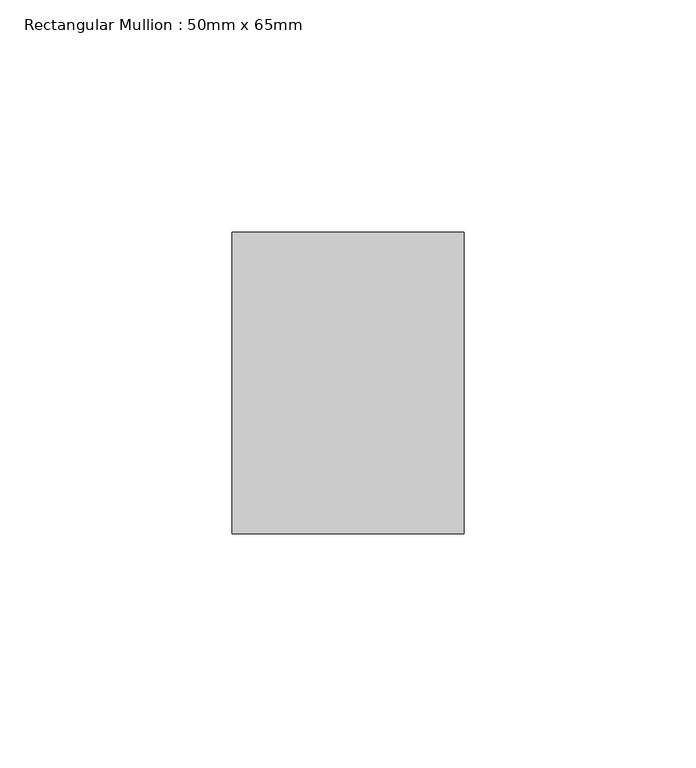
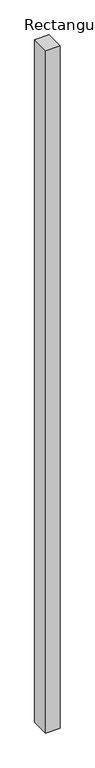
"""IFC4 building model written with IfcOpenShell, lengths in millimetres: member geometry, Rectangular Mullion : 50mm x 65mm."""

import ifcopenshell
import ifcopenshell.guid

model = None  # the IFC model being written
_history = None  # IfcOwnerHistory: only IFC2X3 demands one
_inside = {}  # id of a spatial element -> (the spatial element, [elements in it])
_under = {}  # id of a project, library or spatial element -> (it, [spatial elements below it])
_declared = {}  # id of a project -> (the project, [libraries it declares])
_typed = {}  # id of a type object -> (the type object, [elements of that type])
_made_of = {}  # id of a material, layer set ... -> (it, [elements and type objects made of it])


def new_model(schema):
    """Start an empty IFC model of exactly this schema.

    Asked for "IFC4X3", IfcOpenShell would pick the latest addendum, in which some entities
    have other attributes; the version numbers below select the first issue.
    IFC2X3 requires an IfcOwnerHistory on every rooted entity: one is made here for all.
    """
    global model, _history
    if schema == "IFC4X3":
        model = ifcopenshell.file(schema_version=(4, 3, 0, 0))
    else:
        model = ifcopenshell.file(schema=schema)
    _inside.clear()
    _under.clear()
    _declared.clear()
    _typed.clear()
    _made_of.clear()
    _history = None
    if model.schema == "IFC2X3":
        org = make("IfcOrganization", Name="unknown")
        user = make(
            "IfcPersonAndOrganization",
            ThePerson=make("IfcPerson", FamilyName="unknown"),
            TheOrganization=org,
        )
        app = make(
            "IfcApplication",
            ApplicationDeveloper=org,
            Version="unknown",
            ApplicationFullName="unknown",
            ApplicationIdentifier="unknown",
        )
        _history = make(
            "IfcOwnerHistory",
            OwningUser=user,
            OwningApplication=app,
            ChangeAction="ADDED",
            CreationDate=0,
        )
    return model


def make(cls, **values):
    """One entity of the class cls with the attributes given. An attribute that is None is left unset."""
    return model.create_entity(
        cls, **{name: value for name, value in values.items() if value is not None}
    )


def rooted(cls, **values):
    """An entity with a GlobalId (a new one), such as an element, a storey or a relation."""
    return make(cls, GlobalId=ifcopenshell.guid.new(), OwnerHistory=_history, **values)


def si_unit(unit_type, name, prefix=None):
    """IfcSIUnit, for example si_unit("LENGTHUNIT", "METRE", prefix="MILLI")."""
    return make("IfcSIUnit", UnitType=unit_type, Prefix=prefix, Name=name)


def assignment(units):
    """IfcUnitAssignment: the units of a project."""
    return None if units is None else make("IfcUnitAssignment", Units=units)


def point(xyz):
    """IfcCartesianPoint."""
    return None if xyz is None else make("IfcCartesianPoint", Coordinates=xyz)


def direction(xyz):
    """IfcDirection."""
    return None if xyz is None else make("IfcDirection", DirectionRatios=xyz)


def frame(location, z_axis=None, x_axis=None):
    """IfcAxis2Placement3D, a coordinate frame: its origin and axes. An axis left out is left unset."""
    return make(
        "IfcAxis2Placement3D",
        Location=point(location),
        Axis=direction(z_axis),
        RefDirection=direction(x_axis),
    )


def origin():
    """The frame at (0, 0, 0) with its axes left unset."""
    return frame((0.0, 0.0, 0.0))


def place(relative_to, where):
    """IfcLocalPlacement: puts the frame where relative to a parent placement (None: the world)."""
    return make(
        "IfcLocalPlacement", PlacementRelTo=relative_to, RelativePlacement=where
    )


def context(
    kind, dimensions, precision=None, world=None, true_north=None, identifier=None
):
    """IfcGeometricRepresentationContext, for example the 3D "Model" context."""
    return make(
        "IfcGeometricRepresentationContext",
        ContextIdentifier=identifier,
        ContextType=kind,
        CoordinateSpaceDimension=dimensions,
        Precision=precision,
        WorldCoordinateSystem=world,
        TrueNorth=true_north,
    )


def project(units=None, contexts=None):
    """IfcProject with its units and contexts."""
    return rooted(
        "IfcProject",
        Name="project",
        RepresentationContexts=contexts,
        UnitsInContext=assignment(units),
    )


def spatial(cls, under=None, at=None, **own):
    """A site, building, storey or space (cls), placed at a placement, below another one or the project."""
    s = rooted(cls, ObjectPlacement=at, **own)
    if under is not None:
        _under.setdefault(under.id(), (under, []))[1].append(s)
    return s


def polyline(points):
    """IfcPolyline through the points."""
    return make("IfcPolyline", Points=[point(p) for p in points])


def outline(outer, holes=None, kind="AREA"):
    """IfcArbitraryClosedProfileDef: a profile drawn as a closed curve; with holes, ...WithVoids."""
    if holes is None:
        return make("IfcArbitraryClosedProfileDef", ProfileType=kind, OuterCurve=outer)
    return make(
        "IfcArbitraryProfileDefWithVoids",
        ProfileType=kind,
        OuterCurve=outer,
        InnerCurves=holes,
    )


def extrude(swept, where, along, depth):
    """IfcExtrudedAreaSolid: the profile swept, set in the frame where, extruded along a direction by depth."""
    return make(
        "IfcExtrudedAreaSolid",
        SweptArea=swept,
        Position=where,
        ExtrudedDirection=direction(along),
        Depth=depth,
    )


def shape(context_of_items, identifier, shape_type, items):
    """IfcShapeRepresentation: the items that make up one representation, for example the "Body"."""
    return make(
        "IfcShapeRepresentation",
        ContextOfItems=context_of_items,
        RepresentationIdentifier=identifier,
        RepresentationType=shape_type,
        Items=items,
    )


def source(mapping_origin, context_of_items, identifier, shape_type, items):
    """IfcRepresentationMap: a shape defined once, which mapped items show again and again."""
    return make(
        "IfcRepresentationMap",
        MappingOrigin=mapping_origin,
        MappedRepresentation=shape(context_of_items, identifier, shape_type, items),
    )


def transform(
    local_origin,
    x_axis=None,
    y_axis=None,
    z_axis=None,
    scale=None,
    scale2=None,
    scale3=None,
    uniform=True,
):
    """IfcCartesianTransformationOperator3D, or its non-uniform kind. x_axis, y_axis, z_axis: its Axis1, 2, 3."""
    if uniform:
        return make(
            "IfcCartesianTransformationOperator3D",
            Axis1=direction(x_axis),
            Axis2=direction(y_axis),
            LocalOrigin=point(local_origin),
            Scale=scale,
            Axis3=direction(z_axis),
        )
    return make(
        "IfcCartesianTransformationOperator3DnonUniform",
        Axis1=direction(x_axis),
        Axis2=direction(y_axis),
        LocalOrigin=point(local_origin),
        Scale=scale,
        Axis3=direction(z_axis),
        Scale2=scale2,
        Scale3=scale3,
    )


def mapped(mapping_source, mapping_target):
    """IfcMappedItem: shows the shape of a source again, moved by a transform."""
    return make(
        "IfcMappedItem", MappingSource=mapping_source, MappingTarget=mapping_target
    )


def made_of(thing, what):
    """Note that an element or type object is made of a material, layer set ...; save() writes the relation."""
    if what is not None:
        _made_of.setdefault(what.id(), (what, []))[1].append(thing)
    return thing


def element(
    cls,
    number,
    at=None,
    inside=None,
    cuts=None,
    type_object=None,
    material=None,
    context=None,
    identifier="Body",
    shape_type=None,
    held_by="IfcProductDefinitionShape",
    body=None,
    shapes=None,
    **own,
):
    """One element of the class cls, such as IfcWall. Its Tag is "e" and its number.

    at: its placement. inside: the storey or other place that contains it. cuts: it is an
    opening in that element (IfcRelVoidsElement). A single representation is given by context,
    identifier, shape_type and body (its items); several are given by shapes. held_by: the class
    of the entity that holds the representations. save() writes the other relations.
    """
    e = rooted(cls, Tag="e%d" % number, ObjectPlacement=at, **own)
    if body is not None:
        shapes = [shape(context, identifier, shape_type, body)]
    if shapes is not None:
        e.Representation = make(held_by, Representations=shapes)
    if inside is not None:
        _inside.setdefault(inside.id(), (inside, []))[1].append(e)
    if cuts is not None:
        rooted(
            "IfcRelVoidsElement", RelatingBuildingElement=cuts, RelatedOpeningElement=e
        )
    if type_object is not None:
        _typed.setdefault(type_object.id(), (type_object, []))[1].append(e)
    return made_of(e, material)


def aggregate(whole, parts):
    """IfcRelAggregates: a whole, such as a stair, and the parts it consists of."""
    return rooted("IfcRelAggregates", RelatingObject=whole, RelatedObjects=parts)


def save(model, path):
    """Write the relations noted so far, then the file.

    IfcRelAggregates (storeys below a building ...), IfcRelContainedInSpatialStructure (elements
    in a storey), IfcRelDefinesByType, IfcRelAssociatesMaterial and IfcRelDeclares: one each for
    every whole, place, type object, material and project.
    """
    for whole, parts in _under.values():
        aggregate(whole, parts)
    for where, things in _inside.values():
        rooted(
            "IfcRelContainedInSpatialStructure",
            RelatedElements=things,
            RelatingStructure=where,
        )
    for kind, things in _typed.values():
        rooted("IfcRelDefinesByType", RelatedObjects=things, RelatingType=kind)
    for what, things in _made_of.values():
        rooted("IfcRelAssociatesMaterial", RelatedObjects=things, RelatingMaterial=what)
    for by, libraries in _declared.values():
        rooted("IfcRelDeclares", RelatingContext=by, RelatedDefinitions=libraries)
    model.write(path)


def rectangular_mullion_50mm_x_65mm_14c4fdc6(model_context):
    return source(origin(), model_context, "Body", "SweptSolid", [
        extrude(outline(polyline([(25.0, 32.5), (25.0, -32.5), (-25.0, -32.5), (-25.0, 32.5), (25.0, 32.5)])), frame((0.0, 0.0, -2478.02529), z_axis=(0.0, 0.0, 1.0), x_axis=(1.0, 0.0, 0.0)), (0.0, 0.0, 1.0), 2478.02529),
    ])


if __name__ == "__main__":
    model = new_model("IFC4")
    model_context = context("Model", 3, world=origin())
    ifc_project = project(units=[si_unit("LENGTHUNIT", "METRE", prefix="MILLI")], contexts=[model_context])
    site = spatial("IfcSite", under=ifc_project)
    building = spatial("IfcBuilding", under=site)
    placement = place(None, origin())
    rectangular_mullion_50mm_x_65mm_shape = rectangular_mullion_50mm_x_65mm_14c4fdc6(model_context)
    element("IfcMember", 1, ObjectType="Rectangular Mullion : 50mm x 65mm", at=placement, inside=building, context=model_context, shape_type="MappedRepresentation", body=[
        mapped(rectangular_mullion_50mm_x_65mm_shape, transform((0.0, 0.0, 0.0), x_axis=(1.0, 0.0, 0.0), y_axis=(0.0, 1.0, 0.0), z_axis=(0.0, 0.0, 1.0))),
    ])
    save(model, "model.ifc")
